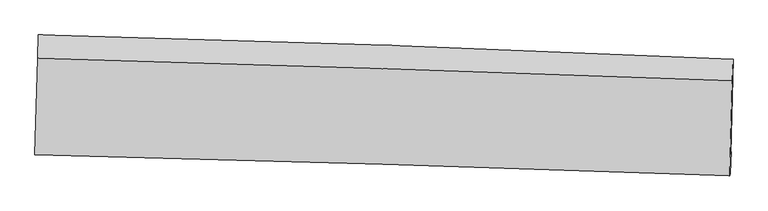
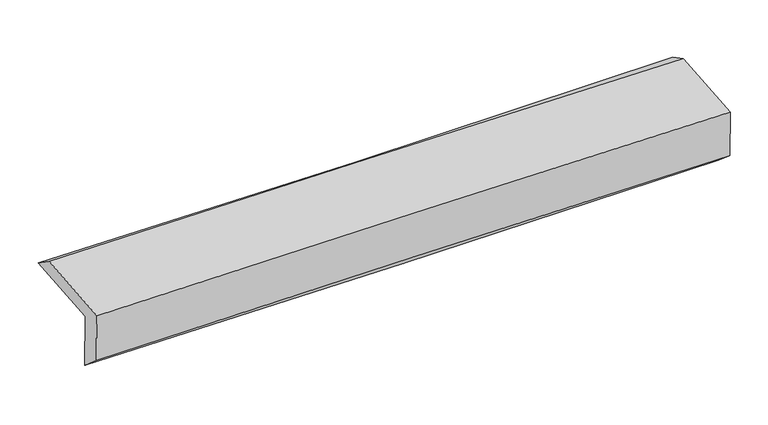
"""IFC4 building model written with IfcOpenShell, lengths in millimetres: proxy geometry."""

from ifc_helpers import new_model, si_unit, frame, origin, place, context, project, spatial, source, transform, mapped, element, save
from ifc_brep_helpers import plane_surface, spline_curve, spline_surface, advanced_brep


def generic_models_a249960d(model_context):
    return source(origin(), model_context, "Body", "AdvancedBrep", [
        advanced_brep(
        [(-2394.0590081, -1719.5417307, 1992.3324153), (-2375.9746517, -1061.9949703, 2018.8636105), (2380.3138259, -1227.6762779, 2120.7740525), (2362.7667934, -1876.4701773, 2077.5848993), (-2388.5481156, -1702.4817615, 1585.016614), (2368.1525683, -1860.4931417, 1677.9403976), (-2394.9329575, -1866.888924, 1729.1634296), (2362.3114599, -2012.1925033, 1808.4556458), (-2399.9053982, -1881.6397933, 2098.1369944), (2357.4547888, -2026.5999395, 2168.8386839), (-2381.8059625, -1221.2209678, 2129.9560953), (2375.1542433, -1377.3179116, 2200.7986289)],
        [
            (0, 1),
            (1, 2, spline_curve(3, [(-2375.9746517, -1061.9949703, 2018.8636105), (-1579.490453145, -1082.293449335, 2019.501935519), (-783.240766024, -1106.322458654, 2028.383210827), (802.184851105, -1161.611210766, 2062.48957823), (1591.364656299, -1192.809303764, 2087.578450164), (2380.3138259, -1227.6762779, 2120.7740525)], [4, 2, 4], [0.0, 7.841471060150127, 15.617879492290829])),
            (2, 3),
            (3, 0, spline_curve(3, [(2362.7667934, -1876.4701773, 2077.5848993), (1573.400709547, -1849.561843692, 2058.970690071), (783.967174172, -1823.082988558, 2042.579508045), (-801.64029286, -1770.766289759, 2014.124659312), (-1597.815357909, -1744.935662453, 2002.098346461), (-2394.0590081, -1719.5417307, 1992.3324153)], [4, 2, 4], [0.0, 7.776408432140702, 15.617879492290829])),
            (4, 0),
            (3, 5),
            (5, 4, spline_curve(3, [(2368.1525683, -1860.4931417, 1677.9403976), (1578.870155383, -1832.989368951, 1653.901601755), (789.488969488, -1806.122059826, 1634.15286777), (-796.076265241, -1753.440905202, 1603.10618565), (-1592.261974177, -1727.637753968, 1591.880325345), (-2388.5481156, -1702.4817615, 1585.016614)], [4, 2, 4], [0.0, 7.776281807640396, 15.617625183865055])),
            (6, 4),
            (5, 7),
            (7, 6, spline_curve(3, [(2362.3114599, -2012.1925033, 1808.4556458), (1572.909283528, -1984.490135011, 1794.302957845), (783.423032108, -1958.573293064, 1780.644389249), (-802.323694338, -1910.108764032, 1754.205347571), (-1598.585581822, -1887.591079242, 1741.433177711), (-2394.9329575, -1866.888924, 1729.1634296)], [4, 2, 4], [0.0, 7.7761981852034205, 15.617457239349932])),
            (8, 6),
            (7, 9),
            (9, 8, spline_curve(3, [(2357.4547888, -2026.5999395, 2168.8386839), (1568.014513308, -1999.010593228, 2157.5130918), (778.499565673, -1973.178879149, 2145.983884645), (-807.285908522, -1924.829296403, 2122.420076128), (-1603.557689913, -1902.340961501, 2110.382053432), (-2399.9053982, -1881.6397933, 2098.1369944)], [4, 2, 4], [0.0, 7.776063349149629, 15.617186439113844])),
            (10, 8),
            (9, 11),
            (11, 10, spline_curve(3, [(2375.1542433, -1377.3179116, 2200.7986289), (1585.793920872, -1347.481608098, 2189.242660872), (796.352170757, -1319.601385052, 2177.586146548), (-789.299862706, -1267.536201856, 2153.97365843), (-1585.511514633, -1243.384110101, 2142.015994669), (-2381.8059625, -1221.2209678, 2129.9560953)], [4, 2, 4], [0.0, 7.776001392369268, 15.617062007181307])),
            (1, 10),
            (11, 2),
        ],
        [
            spline_surface(3, 3, [[(-2394.0590081, -1719.5417307, 1992.3324153), (-1597.815357926, -1744.935662506, 2002.098346348), (-801.640292897, -1770.766289714, 2014.124659201), (783.967174208, -1823.082988602, 2042.579508155), (1573.400709641, -1849.561843571, 2058.970689955), (2362.7667934, -1876.4701773, 2077.5848993)], [(-2388.03088929, -1500.359477243, 2001.176147042), (-1591.707056356, -1524.054924763, 2007.899542733), (-795.507117246, -1549.285012692, 2018.877509758), (790.039733181, -1602.592395943, 2049.216198213), (1579.388691869, -1630.644330296, 2068.506610064), (2368.615804214, -1660.205544161, 2091.981283707)], [(-2382.00277051, -1281.177223757, 2010.019878758), (-1585.598754814, -1303.174186991, 2013.700739091), (-789.373941647, -1327.803735745, 2023.630360242), (796.112292104, -1382.101803357, 2055.8528882), (1585.376674156, -1411.726817038, 2078.042530152), (2374.464815086, -1443.940911039, 2106.377668093)], [(-2375.9746517, -1061.9949703, 2018.8636105), (-1579.490453243, -1082.293449247, 2019.501935476), (-783.240765996, -1106.322458723, 2028.383210798), (802.184851077, -1161.611210698, 2062.489578259), (1591.364656384, -1192.809303763, 2087.57845026), (2380.3138259, -1227.6762779, 2120.7740525)]], [4, 4], [4, 2, 4], [0.0, 2.176647641969207], [0.0, 7.841471060150127, 15.617879492290829]),
            spline_surface(3, 3, [[(-2388.5481156, -1702.4817615, 1585.016614), (-1592.261974054, -1727.637754009, 1591.88032522), (-796.076265336, -1753.440905124, 1603.106185776), (789.488969582, -1806.122059903, 1634.152867645), (1578.870155491, -1832.989368865, 1653.901601664), (2368.1525683, -1860.4931417, 1677.9403976)], [(-2390.385079777, -1708.168417896, 1720.788547749), (-1594.113102021, -1733.403723505, 1728.619665578), (-797.930941188, -1759.21603332, 1740.112343585), (787.648371125, -1811.775702803, 1770.295081149), (1577.04700688, -1838.513527113, 1788.924631104), (2366.357310006, -1865.818820246, 1811.155231509)], [(-2392.222043923, -1713.855074304, 1856.560481551), (-1595.964229959, -1739.169693011, 1865.35900599), (-799.785617044, -1764.991161518, 1877.118501392), (785.807772665, -1817.429345703, 1906.437294651), (1575.223858252, -1844.037685323, 1923.947660516), (2364.562051694, -1871.144498754, 1944.370065391)], [(-2394.0590081, -1719.5417307, 1992.3324153), (-1597.815357926, -1744.935662506, 2002.098346348), (-801.640292897, -1770.766289714, 2014.124659201), (783.967174208, -1823.082988602, 2042.579508155), (1573.400709641, -1849.561843571, 2058.970689955), (2362.7667934, -1876.4701773, 2077.5848993)]], [4, 4], [4, 2, 4], [0.0, 1.3455683907058098], [0.0, 7.841343376224659, 15.617625183865055]),
            spline_surface(3, 3, [[(-2394.9329575, -1866.888924, 1729.1634296), (-1598.585581879, -1887.591079279, 1741.433177626), (-802.323694318, -1910.108763929, 1754.205347604), (783.423032088, -1958.573293166, 1780.644389217), (1572.909283625, -1984.490134952, 1794.302957916), (2362.3114599, -2012.1925033, 1808.4556458)], [(-2392.804676853, -1812.086536499, 1681.114491092), (-1596.47771259, -1834.273304188, 1691.582226849), (-800.241218006, -1857.886144344, 1703.838960298), (785.445011238, -1907.756215429, 1731.813881996), (1574.896240912, -1933.989879585, 1747.502505809), (2364.258496032, -1961.626049429, 1764.950563043)], [(-2390.676396247, -1757.284149001, 1633.065552508), (-1594.369843343, -1780.9555291, 1641.731275996), (-798.158741648, -1805.663524709, 1653.472573083), (787.466990433, -1856.939137641, 1682.983374866), (1576.883198204, -1883.489624232, 1700.702053771), (2366.205532168, -1911.059595571, 1721.445480357)], [(-2388.5481156, -1702.4817615, 1585.016614), (-1592.261974054, -1727.637754009, 1591.88032522), (-796.076265336, -1753.440905124, 1603.106185776), (789.488969582, -1806.122059903, 1634.152867645), (1578.870155491, -1832.989368865, 1653.901601664), (2368.1525683, -1860.4931417, 1677.9403976)]], [4, 4], [4, 2, 4], [0.0, 0.7042559804272419], [0.0, 7.841259054146511, 15.617457239349932]),
            spline_surface(3, 3, [[(-2399.9053982, -1881.6397933, 2098.1369944), (-1603.55768986, -1902.34096156, 2110.382053447), (-807.285908545, -1924.829296366, 2122.420076181), (778.499565695, -1973.178879186, 2145.983884592), (1568.014513412, -1999.010593121, 2157.513091718), (2357.4547888, -2026.5999395, 2168.8386839)], [(-2398.24791799, -1876.722836881, 1975.145806125), (-1601.900320557, -1897.424334147, 1987.399094831), (-805.631837132, -1919.922452229, 1999.681833325), (780.140721163, -1968.310350521, 2024.204052803), (1569.646103493, -1994.170440415, 2036.44304715), (2359.073679177, -2021.797460783, 2048.711004566)], [(-2396.59043771, -1871.805880419, 1852.154617875), (-1600.242951183, -1892.507706692, 1864.416136242), (-803.977765731, -1915.015608066, 1876.94359046), (781.78187662, -1963.441821831, 1902.424221006), (1571.277693543, -1989.330287658, 1915.373002484), (2360.692569523, -2016.994982017, 1928.583325134)], [(-2394.9329575, -1866.888924, 1729.1634296), (-1598.585581879, -1887.591079279, 1741.433177626), (-802.323694318, -1910.108763929, 1754.205347604), (783.423032088, -1958.573293166, 1780.644389217), (1572.909283625, -1984.490134952, 1794.302957916), (2362.3114599, -2012.1925033, 1808.4556458)]], [4, 4], [4, 2, 4], [0.0, 1.204446605804233], [0.0, 7.841123089964215, 15.617186439113844]),
            spline_surface(3, 3, [[(-2381.8059625, -1221.2209678, 2129.9560953), (-1585.511514693, -1243.384110161, 2142.015994697), (-789.299862817, -1267.536201824, 2153.973658311), (796.352170868, -1319.601385082, 2177.586146666), (1585.79392091, -1347.481608068, 2189.242660918), (2375.1542433, -1377.3179116, 2200.7986289)], [(-2387.839107714, -1441.360576281, 2119.349728343), (-1591.526906396, -1463.036393942, 2131.471347623), (-795.295211394, -1486.633899982, 2143.455797617), (790.401302477, -1537.460549761, 2167.052059324), (1579.867451739, -1564.657936421, 2178.666137846), (2369.254425129, -1593.745254235, 2190.145313895)], [(-2393.872252986, -1661.500184819, 2108.743361357), (-1597.542298157, -1682.688677779, 2120.926700521), (-801.290559969, -1705.731598208, 2132.937936876), (784.450434087, -1755.319714508, 2156.517971935), (1573.940982582, -1781.834264768, 2168.089614789), (2363.354606971, -1810.172596865, 2179.491998905)], [(-2399.9053982, -1881.6397933, 2098.1369944), (-1603.55768986, -1902.34096156, 2110.382053447), (-807.285908545, -1924.829296366, 2122.420076181), (778.499565695, -1973.178879186, 2145.983884592), (1568.014513412, -1999.010593121, 2157.513091718), (2357.4547888, -2026.5999395, 2168.8386839)]], [4, 4], [4, 2, 4], [0.0, 2.153725777648794], [0.0, 7.841060614812039, 15.617062007181307]),
            spline_surface(3, 3, [[(-2375.9746517, -1061.9949703, 2018.8636105), (-1579.490453243, -1082.293449247, 2019.501935476), (-783.240765996, -1106.322458723, 2028.383210798), (802.184851077, -1161.611210698, 2062.489578259), (1591.364656384, -1192.809303763, 2087.57845026), (2380.3138259, -1227.6762779, 2120.7740525)], [(-2377.918421976, -1115.0703028, 2055.89443875), (-1581.497473735, -1135.990336219, 2060.339955199), (-785.260464943, -1160.060373113, 2070.24669329), (800.240624334, -1214.274602182, 2100.855101048), (1589.507744569, -1244.366738511, 2121.466520458), (2378.593965043, -1277.556822446, 2147.448911279)], [(-2379.862192224, -1168.1456353, 2092.92526705), (-1583.504494201, -1189.68722319, 2101.177974974), (-787.28016387, -1213.798287434, 2112.11017582), (798.296397611, -1266.937993598, 2139.220623877), (1587.650832725, -1295.92417332, 2155.354590719), (2376.874104157, -1327.437367054, 2174.123770121)], [(-2381.8059625, -1221.2209678, 2129.9560953), (-1585.511514693, -1243.384110161, 2142.015994697), (-789.299862817, -1267.536201824, 2153.973658311), (796.352170868, -1319.601385082, 2177.586146666), (1585.79392091, -1347.481608068, 2189.242660918), (2375.1542433, -1377.3179116, 2200.7986289)]], [4, 4], [4, 2, 4], [0.0, 0.6562121714502158], [0.0, 7.841290413273052, 15.617519697408571]),
            plane_surface(frame((2367.6922799, -1730.1249919, 2009.0653847), z_axis=(0.9995355825209021, -0.02785561305982595, 0.012356540602535401), x_axis=(0.013464437206848768, 0.039942589094330565, -0.9991112543191295))),
            plane_surface(frame((-2389.2043489, -1575.6280246, 1925.5781932), z_axis=(-0.9995319434320803, 0.027988250936925575, -0.012351188946035202), x_axis=(-0.027470038034891054, -0.9988099155424528, -0.04030073975053033))),
        ],
        [
            (0, [[1, 2, 3, 4]]),
            (1, [[5, -4, 6, 7]]),
            (2, [[8, -7, 9, 10]]),
            (3, [[11, -10, 12, 13]]),
            (4, [[14, -13, 15, 16]]),
            (5, [[17, -16, 18, -2]]),
            (6, [[-12, -9, -6, -3, -18, -15]]),
            (7, [[-1, -5, -8, -11, -14, -17]]),
        ],
    ),
    ])


if __name__ == "__main__":
    model = new_model("IFC4")
    model_context = context("Model", 3, world=origin())
    ifc_project = project(units=[si_unit("LENGTHUNIT", "METRE", prefix="MILLI")], contexts=[model_context])
    site = spatial("IfcSite", under=ifc_project)
    building = spatial("IfcBuilding", under=site)
    placement = place(None, origin())
    generic_models_shape = generic_models_a249960d(model_context)
    element("IfcBuildingElementProxy", 1, Name="Generic Models", at=placement, inside=building, context=model_context, shape_type="MappedRepresentation", body=[
        mapped(generic_models_shape, transform((0.0, 0.0, 0.0), x_axis=(1.0, 0.0, 0.0), y_axis=(0.0, 1.0, 0.0), z_axis=(0.0, 0.0, 1.0))),
    ])
    save(model, "model.ifc")
